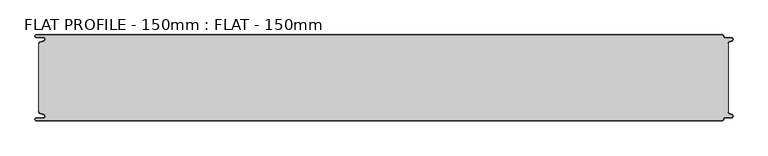
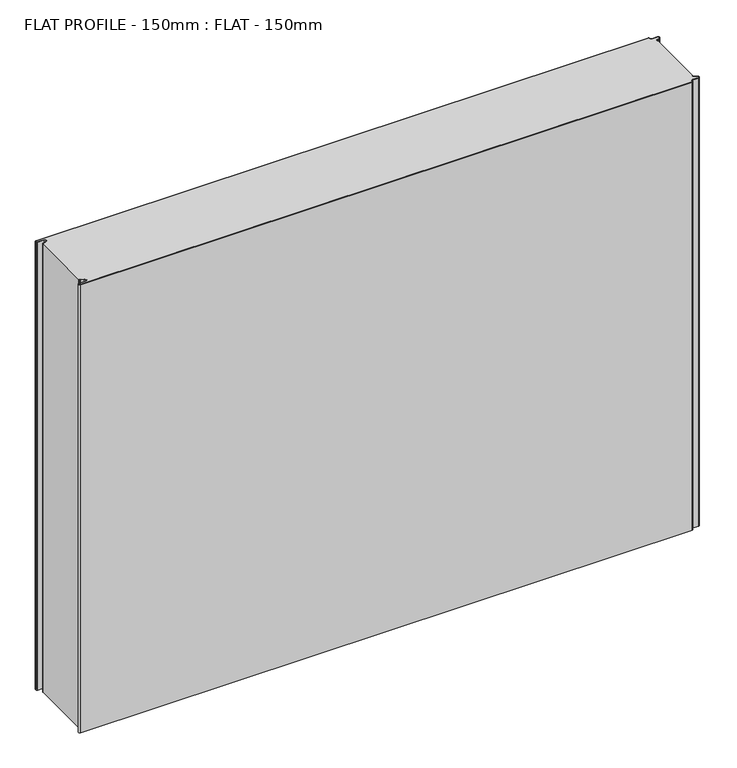
"""IFC4 building model written with IfcOpenShell, lengths in millimetres: proxy geometry, FLAT PROFILE - 150mm : FLAT - 150mm."""

from ifc_helpers import new_model, si_unit, point, frame_2d, origin, origin_with_axes, place, context, project, spatial, polyline, circle_curve, trimmed, segment, composite_curve, outline, extrude, source, transform, mapped, element, save


def flat_profile_150mm_flat_150mm_a525bab4(model_context):
    return source(origin(), model_context, "Body", "SweptSolid", [
        extrude(outline(composite_curve([segment(polyline([(-591.3794419, 61.1128969), (-589.3904999, 61.9138856), (-583.8995097, 63.9124426)]), True, "CONTINUOUS"), segment(trimmed(circle_curve(frame_2d((-585.2882153, 67.3376495)), 3.6960175), [point((-583.8995097, 63.9124426))], [point((-584.9273771, 71.0160107))], True, "CARTESIAN"), True, "CONTINUOUS"), segment(polyline([(-584.9273771, 71.0160107), (-597.3733883, 71.0160107)]), True, "CONTINUOUS"), segment(trimmed(circle_curve(frame_2d((-597.4921978, 72.511298)), 1.5), [point((-597.3733883, 71.0160107))], [point((-597.3084562, 74.0000019))], False, "CARTESIAN"), True, "CONTINUOUS"), segment(polyline([(-597.3084562, 74.0000019), (596.902372, 74.0000019)]), True, "CONTINUOUS"), segment(trimmed(circle_curve(frame_2d((596.9047345, 72.4926459)), 1.5073578), [point((596.902372, 74.0000019))], [point((598.4115951, 72.4539337))], False, "CARTESIAN"), True, "CONTINUOUS"), segment(trimmed(circle_curve(frame_2d((601.9112919, 72.5000019)), 3.5), [point((598.4115951, 72.4539337))], [point((601.9112919, 69.0000019))], True, "CARTESIAN"), True, "CONTINUOUS"), segment(polyline([(601.9112919, 69.0000019), (612.3116271, 69.0000019)]), True, "CONTINUOUS"), segment(trimmed(circle_curve(frame_2d((612.3116271, 66.9000019)), 2.1), [point((612.3116271, 69.0000019))], [point((613.0435993, 64.9316988))], False, "CARTESIAN"), True, "CONTINUOUS"), segment(polyline([(613.0435993, 64.9316988), (610.7828028, 64.1063001), (607.8546835, 62.9154156)]), True, "CONTINUOUS"), segment(trimmed(circle_curve(frame_2d((608.9399875, 60.2468953)), 2.8807786), [point((607.8546835, 62.9154156))], [point((606.0682599, 60.475074))], True, "CARTESIAN"), True, "CONTINUOUS"), segment(polyline([(606.0682599, 60.475074), (606.0107004, 59.2522232), (607.0118076, 59.2522232), (607.0118076, -59.2522195), (606.0107004, -59.2522195), (606.0682599, -60.4750703)]), True, "CONTINUOUS"), segment(trimmed(circle_curve(frame_2d((608.9399875, -60.2468916)), 2.8807786), [point((606.0682599, -60.4750703))], [point((607.8546835, -62.9154119))], True, "CARTESIAN"), True, "CONTINUOUS"), segment(polyline([(607.8546835, -62.9154119), (610.7828028, -64.1062964), (613.0435993, -64.9316951)]), True, "CONTINUOUS"), segment(trimmed(circle_curve(frame_2d((612.3116271, -66.8999981)), 2.1), [point((613.0435993, -64.9316951))], [point((612.3116271, -68.9999981))], False, "CARTESIAN"), True, "CONTINUOUS"), segment(polyline([(612.3116271, -68.9999981), (601.9112919, -68.9999981)]), True, "CONTINUOUS"), segment(trimmed(circle_curve(frame_2d((601.9112919, -72.4999981)), 3.5), [point((601.9112919, -68.9999981))], [point((598.4115951, -72.45393))], True, "CARTESIAN"), True, "CONTINUOUS"), segment(trimmed(circle_curve(frame_2d((596.9047345, -72.4926422)), 1.5073578), [point((598.4115951, -72.45393))], [point((596.902372, -73.9999981))], False, "CARTESIAN"), True, "CONTINUOUS"), segment(polyline([(596.902372, -73.9999981), (-597.3084562, -73.9999981)]), True, "CONTINUOUS"), segment(trimmed(circle_curve(frame_2d((-597.4921978, -72.5112943)), 1.5), [point((-597.3084562, -73.9999981))], [point((-597.3733883, -71.016007))], False, "CARTESIAN"), True, "CONTINUOUS"), segment(polyline([(-597.3733883, -71.016007), (-584.9273771, -71.016007)]), True, "CONTINUOUS"), segment(trimmed(circle_curve(frame_2d((-585.2882153, -67.3376458)), 3.6960175), [point((-584.9273771, -71.016007))], [point((-583.8995097, -63.9124389))], True, "CARTESIAN"), True, "CONTINUOUS"), segment(polyline([(-583.8995097, -63.9124389), (-589.3904999, -61.9138819), (-591.3794419, -61.1128932)]), True, "CONTINUOUS"), segment(trimmed(circle_curve(frame_2d((-591.0050311, -60.1831907)), 1.0022625), [point((-591.3794419, -61.1128932))], [point((-591.9881924, -60.3779319))], False, "CARTESIAN"), True, "CONTINUOUS"), segment(polyline([(-591.9881924, -60.3779319), (-591.9881924, -59.2522214), (-592.9881924, -59.2522214), (-592.9881924, 59.2522214), (-591.9881924, 59.2522214), (-591.9881924, 60.3779357)]), True, "CONTINUOUS"), segment(trimmed(circle_curve(frame_2d((-591.0050311, 60.1831944)), 1.0022625), [point((-591.9881924, 60.3779357))], [point((-591.3794419, 61.1128969))], False, "CARTESIAN"), True, "CONTINUOUS")], self_intersect=False)), origin_with_axes(), (0.0, 0.0, 1.0), 924.9887137),
        extrude(outline(composite_curve([segment(trimmed(circle_curve(frame_2d((-591.0050311, 60.1831944)), 1.0022625), [point((-591.3794419, 61.1128969))], [point((-591.9881924, 60.3779357))], True, "CARTESIAN"), True, "CONTINUOUS"), segment(polyline([(-591.9881924, 60.3779357), (-591.9881924, 59.2522214), (-592.9881924, 59.2522214), (-592.9881924, 60.4591051)]), True, "CONTINUOUS"), segment(trimmed(circle_curve(frame_2d((-591.0050311, 60.1831944)), 2.0022625), [point((-592.9881924, 60.4591051))], [point((-591.7530074, 62.0405007))], False, "CARTESIAN"), True, "CONTINUOUS"), segment(polyline([(-591.7530074, 62.0405007), (-589.7483949, 62.8478003), (-584.2598383, 64.8454715)]), True, "CONTINUOUS"), segment(trimmed(circle_curve(frame_2d((-585.2882153, 67.3376495)), 2.6960175), [point((-584.2598383, 64.8454715))], [point((-584.9801705, 70.0160107))], True, "CARTESIAN"), True, "CONTINUOUS"), segment(polyline([(-584.9801705, 70.0160107), (-597.3387672, 70.0160107)]), True, "CONTINUOUS"), segment(trimmed(circle_curve(frame_2d((-597.4921978, 72.511298)), 2.5), [point((-597.3387672, 70.0160107))], [point((-597.2548091, 75.0000019))], False, "CARTESIAN"), True, "CONTINUOUS"), segment(polyline([(-597.2548091, 75.0000019), (596.9016875, 75.0000019)]), True, "CONTINUOUS"), segment(trimmed(circle_curve(frame_2d((596.9047345, 72.4926459)), 2.5073578), [point((596.9016875, 75.0000019))], [point((599.4117582, 72.4517176))], False, "CARTESIAN"), True, "CONTINUOUS"), segment(trimmed(circle_curve(frame_2d((601.9112919, 72.5000019)), 2.5), [point((599.4117582, 72.4517176))], [point((601.9112919, 70.0000019))], True, "CARTESIAN"), True, "CONTINUOUS"), segment(polyline([(601.9112919, 70.0000019), (612.3116271, 70.0000019)]), True, "CONTINUOUS"), segment(trimmed(circle_curve(frame_2d((612.3116271, 66.9000019)), 3.1), [point((612.3116271, 70.0000019))], [point((613.3890842, 63.9932707))], False, "CARTESIAN"), True, "CONTINUOUS"), segment(polyline([(613.3890842, 63.9932707), (611.1427659, 63.1731578), (608.2411829, 62.0549269)]), True, "CONTINUOUS"), segment(trimmed(circle_curve(frame_2d((609.0514567, 60.1592666)), 2.0615701), [point((608.2411829, 62.0549269))], [point((607.0118076, 60.4591051))], True, "CARTESIAN"), True, "CONTINUOUS"), segment(polyline([(607.0118076, 60.4591051), (607.0118076, 59.2522232), (606.0107004, 59.2522232), (606.0682599, 60.475074)]), True, "CONTINUOUS"), segment(trimmed(circle_curve(frame_2d((608.9399875, 60.2468953)), 2.8807786), [point((606.0682599, 60.475074))], [point((607.8546835, 62.9154156))], False, "CARTESIAN"), True, "CONTINUOUS"), segment(polyline([(607.8546835, 62.9154156), (610.7828028, 64.1063001), (613.0435993, 64.9316988)]), True, "CONTINUOUS"), segment(trimmed(circle_curve(frame_2d((612.3116271, 66.9000019)), 2.1), [point((613.0435993, 64.9316988))], [point((612.3116271, 69.0000019))], True, "CARTESIAN"), True, "CONTINUOUS"), segment(polyline([(612.3116271, 69.0000019), (601.9112919, 69.0000019)]), True, "CONTINUOUS"), segment(trimmed(circle_curve(frame_2d((601.9112919, 72.5000019)), 3.5), [point((601.9112919, 69.0000019))], [point((598.4115951, 72.4539337))], False, "CARTESIAN"), True, "CONTINUOUS"), segment(trimmed(circle_curve(frame_2d((596.9047345, 72.4926459)), 1.5073578), [point((598.4115951, 72.4539337))], [point((596.902372, 74.0000019))], True, "CARTESIAN"), True, "CONTINUOUS"), segment(polyline([(596.902372, 74.0000019), (-597.3084562, 74.0000019)]), True, "CONTINUOUS"), segment(trimmed(circle_curve(frame_2d((-597.4921978, 72.511298)), 1.5), [point((-597.3084562, 74.0000019))], [point((-597.3733883, 71.0160107))], True, "CARTESIAN"), True, "CONTINUOUS"), segment(polyline([(-597.3733883, 71.0160107), (-584.9273771, 71.0160107)]), True, "CONTINUOUS"), segment(trimmed(circle_curve(frame_2d((-585.2882153, 67.3376495)), 3.6960175), [point((-584.9273771, 71.0160107))], [point((-583.8995097, 63.9124426))], False, "CARTESIAN"), True, "CONTINUOUS"), segment(polyline([(-583.8995097, 63.9124426), (-589.3904999, 61.9138856), (-591.3794419, 61.1128969)]), True, "CONTINUOUS")], self_intersect=False)), origin_with_axes(), (0.0, 0.0, 1.0), 924.9887137),
        extrude(outline(composite_curve([segment(polyline([(-591.3794419, -61.1128932), (-589.3904999, -61.9138819), (-583.8995097, -63.9124389)]), True, "CONTINUOUS"), segment(trimmed(circle_curve(frame_2d((-585.2882153, -67.3376458)), 3.6960175), [point((-583.8995097, -63.9124389))], [point((-584.9273771, -71.016007))], False, "CARTESIAN"), True, "CONTINUOUS"), segment(polyline([(-584.9273771, -71.016007), (-597.3733883, -71.016007)]), True, "CONTINUOUS"), segment(trimmed(circle_curve(frame_2d((-597.4921978, -72.5112943)), 1.5), [point((-597.3733883, -71.016007))], [point((-597.3084562, -73.9999981))], True, "CARTESIAN"), True, "CONTINUOUS"), segment(polyline([(-597.3084562, -73.9999981), (596.902372, -73.9999981)]), True, "CONTINUOUS"), segment(trimmed(circle_curve(frame_2d((596.9047345, -72.4926422)), 1.5073578), [point((596.902372, -73.9999981))], [point((598.4115951, -72.45393))], True, "CARTESIAN"), True, "CONTINUOUS"), segment(trimmed(circle_curve(frame_2d((601.9112919, -72.4999981)), 3.5), [point((598.4115951, -72.45393))], [point((601.9112919, -68.9999981))], False, "CARTESIAN"), True, "CONTINUOUS"), segment(polyline([(601.9112919, -68.9999981), (612.3116271, -68.9999981)]), True, "CONTINUOUS"), segment(trimmed(circle_curve(frame_2d((612.3116271, -66.8999981)), 2.1), [point((612.3116271, -68.9999981))], [point((613.0435993, -64.9316951))], True, "CARTESIAN"), True, "CONTINUOUS"), segment(polyline([(613.0435993, -64.9316951), (610.7828028, -64.1062964), (607.8546835, -62.9154119)]), True, "CONTINUOUS"), segment(trimmed(circle_curve(frame_2d((608.9399875, -60.2468916)), 2.8807786), [point((607.8546835, -62.9154119))], [point((606.0682599, -60.4750703))], False, "CARTESIAN"), True, "CONTINUOUS"), segment(polyline([(606.0682599, -60.4750703), (606.0107004, -59.2522195), (607.0118076, -59.2522195), (607.0118076, -60.4591014)]), True, "CONTINUOUS"), segment(trimmed(circle_curve(frame_2d((609.0514567, -60.1592629)), 2.0615701), [point((607.0118076, -60.4591014))], [point((608.2411829, -62.0549231))], True, "CARTESIAN"), True, "CONTINUOUS"), segment(polyline([(608.2411829, -62.0549231), (611.1427659, -63.1731541), (613.3890842, -63.993267)]), True, "CONTINUOUS"), segment(trimmed(circle_curve(frame_2d((612.3116271, -66.8999981)), 3.1), [point((613.3890842, -63.993267))], [point((612.3116271, -69.9999981))], False, "CARTESIAN"), True, "CONTINUOUS"), segment(polyline([(612.3116271, -69.9999981), (601.9112919, -69.9999981)]), True, "CONTINUOUS"), segment(trimmed(circle_curve(frame_2d((601.9112919, -72.4999981)), 2.5), [point((601.9112919, -69.9999981))], [point((599.4117582, -72.4517139))], True, "CARTESIAN"), True, "CONTINUOUS"), segment(trimmed(circle_curve(frame_2d((596.9047345, -72.4926422)), 2.5073578), [point((599.4117582, -72.4517139))], [point((596.9016875, -74.9999981))], False, "CARTESIAN"), True, "CONTINUOUS"), segment(polyline([(596.9016875, -74.9999981), (-597.2548091, -74.9999981)]), True, "CONTINUOUS"), segment(trimmed(circle_curve(frame_2d((-597.4921978, -72.5112943)), 2.5), [point((-597.2548091, -74.9999981))], [point((-597.3387672, -70.016007))], False, "CARTESIAN"), True, "CONTINUOUS"), segment(polyline([(-597.3387672, -70.016007), (-584.9801705, -70.016007)]), True, "CONTINUOUS"), segment(trimmed(circle_curve(frame_2d((-585.2882153, -67.3376458)), 2.6960175), [point((-584.9801705, -70.016007))], [point((-584.2598383, -64.8454678))], True, "CARTESIAN"), True, "CONTINUOUS"), segment(polyline([(-584.2598383, -64.8454678), (-589.7483949, -62.8477966), (-591.7530074, -62.040497)]), True, "CONTINUOUS"), segment(trimmed(circle_curve(frame_2d((-591.0050311, -60.1831907)), 2.0022625), [point((-591.7530074, -62.040497))], [point((-592.9881924, -60.4591014))], False, "CARTESIAN"), True, "CONTINUOUS"), segment(polyline([(-592.9881924, -60.4591014), (-592.9881924, -59.2522177), (-591.9881924, -59.2522177), (-591.9881924, -60.3779319)]), True, "CONTINUOUS"), segment(trimmed(circle_curve(frame_2d((-591.0050311, -60.1831907)), 1.0022625), [point((-591.9881924, -60.3779319))], [point((-591.3794419, -61.1128932))], True, "CARTESIAN"), True, "CONTINUOUS")], self_intersect=False)), origin_with_axes(), (0.0, 0.0, 1.0), 924.9887137),
    ])


if __name__ == "__main__":
    model = new_model("IFC4")
    model_context = context("Model", 3, world=origin())
    ifc_project = project(units=[si_unit("LENGTHUNIT", "METRE", prefix="MILLI")], contexts=[model_context])
    site = spatial("IfcSite", under=ifc_project)
    building = spatial("IfcBuilding", under=site)
    placement = place(None, origin())
    flat_profile_150mm_flat_150mm_shape = flat_profile_150mm_flat_150mm_a525bab4(model_context)
    element("IfcBuildingElementProxy", 1, Name="FLAT PROFILE - 150mm : FLAT - 150mm", ObjectType="FLAT PROFILE - 150mm : FLAT - 150mm", at=placement, inside=building, context=model_context, shape_type="MappedRepresentation", body=[
        mapped(flat_profile_150mm_flat_150mm_shape, transform((0.0, 0.0, 0.0), x_axis=(1.0, 0.0, 0.0), y_axis=(0.0, 1.0, 0.0), z_axis=(0.0, 0.0, 1.0))),
    ])
    save(model, "model.ifc")
